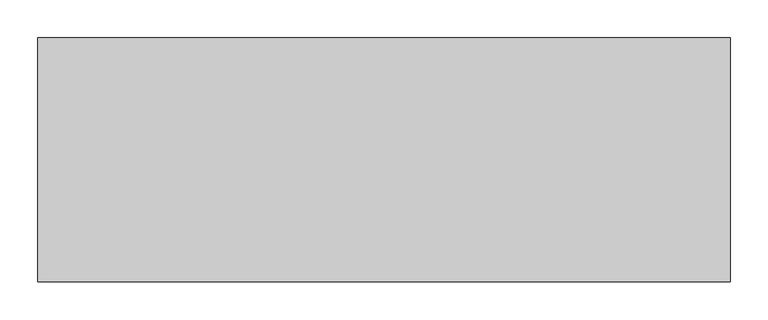
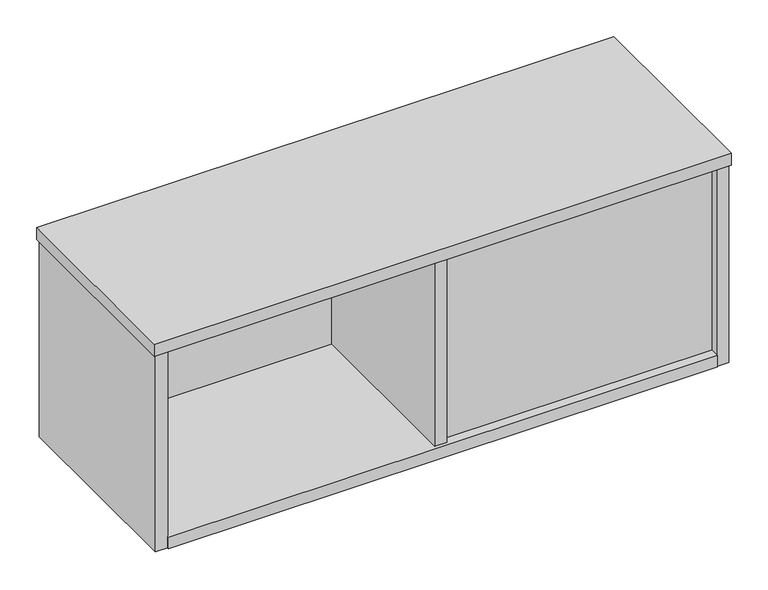
"""IFC4 building model written with IfcOpenShell, lengths in millimetres: furniture geometry."""

from ifc_helpers import new_model, si_unit, frame, origin, place, context, project, spatial, polyline, outline, extrude, source, transform, mapped, element, save


def furniture_96cde9a9(model_context):
    return source(origin(), model_context, "Body", "SweptSolid", [
        extrude(outline(polyline([(465.3279922, -155.0542961), (446.0239925, -155.0542961), (446.0239925, 155.0542961), (465.3279922, 155.0542961), (465.3279922, -155.0542961)])), frame((0.0, 0.0, 241.5539816), z_axis=(0.0, 0.0, 1.0), x_axis=(1.0, 0.0, 0.0)), (0.0, 0.0, 1.0), 309.8291988),
        extrude(outline(polyline([(896.0103885, -145.8086961), (457.2, -145.8086961), (457.2, -126.4956428), (896.0103885, -126.4956428), (896.0103885, -145.8086961)])), frame((0.0, 0.0, 241.5539816), z_axis=(0.0, 0.0, 1.0), x_axis=(1.0, 0.0, 0.0)), (0.0, 0.0, 1.0), 309.8291988),
        extrude(outline(polyline([(15.3415997, 145.8086961), (453.0343931, 145.8086961), (453.0343931, 126.5046963), (15.3415997, 126.5046963), (15.3415997, 145.8086961)])), frame((0.0, 0.0, 241.5539816), z_axis=(0.0, 0.0, 1.0), x_axis=(1.0, 0.0, 0.0)), (0.0, 0.0, 1.0), 309.8291988),
        extrude(outline(polyline([(888.9999879, -160.6422961), (22.3519991, -160.6422961), (22.3519991, 160.6422961), (888.9999879, 160.6422961), (888.9999879, -160.6422961)])), frame((0.0, 0.0, 222.25), z_axis=(0.0, 0.0, 1.0), x_axis=(1.0, 0.0, 0.0)), (0.0, 0.0, 1.0), 19.3039816),
        extrude(outline(polyline([(908.3040058, -158.75), (888.9999879, -158.75), (888.9999879, 158.75), (908.3040058, 158.75), (908.3040058, -158.75)])), frame((0.0, 0.0, 222.25), z_axis=(0.0, 0.0, 1.0), x_axis=(1.0, 0.0, 0.0)), (0.0, 0.0, 1.0), 329.1331804),
        extrude(outline(polyline([(22.3519991, -158.75), (3.0479999, -158.75), (3.0479999, 158.75), (22.3519991, 158.75), (22.3519991, -158.75)])), frame((0.0, 0.0, 222.25), z_axis=(0.0, 0.0, 1.0), x_axis=(1.0, 0.0, 0.0)), (0.0, 0.0, 1.0), 329.1331804),
        extrude(outline(polyline([(911.3520029, 160.6422961), (911.3520029, -160.6422961), (0.0, -160.6422961), (0.0, 160.6422961), (911.3520029, 160.6422961)])), frame((0.0, 0.0, 551.3831804), z_axis=(0.0, 0.0, 1.0), x_axis=(1.0, 0.0, 0.0)), (0.0, 0.0, 1.0), 20.1168196),
    ])


if __name__ == "__main__":
    model = new_model("IFC4")
    model_context = context("Model", 3, world=origin())
    ifc_project = project(units=[si_unit("LENGTHUNIT", "METRE", prefix="MILLI")], contexts=[model_context])
    site = spatial("IfcSite", under=ifc_project)
    building = spatial("IfcBuilding", under=site)
    placement = place(None, origin())
    furniture_shape = furniture_96cde9a9(model_context)
    element("IfcFurniture", 1, at=placement, inside=building, context=model_context, shape_type="MappedRepresentation", body=[
        mapped(furniture_shape, transform((0.0, 0.0, 0.0), x_axis=(1.0, 0.0, 0.0), y_axis=(0.0, 1.0, 0.0), z_axis=(0.0, 0.0, 1.0))),
    ])
    save(model, "model.ifc")
